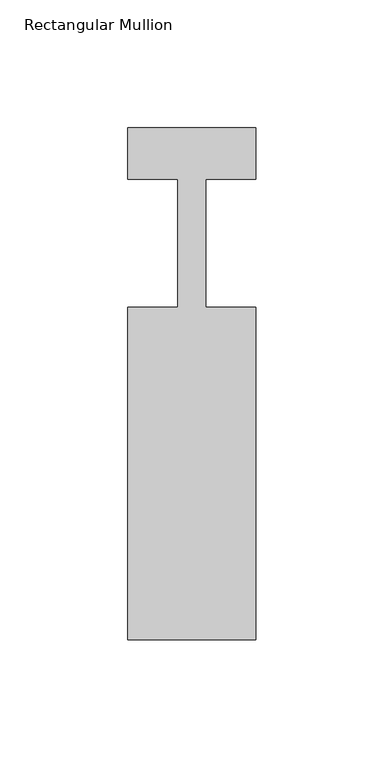
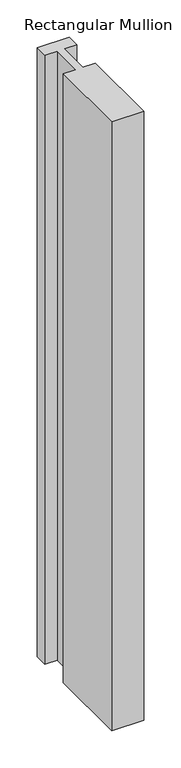
"""IFC4 building model written with IfcOpenShell, lengths in millimetres: member geometry, Rectangular Mullion."""

from ifc_helpers import new_model, si_unit, frame, origin, place, context, project, spatial, polyline, outline, extrude, source, transform, mapped, element, save


def rectangular_mullion_300cb711(model_context):
    return source(origin(), model_context, "Body", "SweptSolid", [
        extrude(outline(polyline([(25.0, -153.0), (-25.0, -153.0), (-25.0, -23.0), (-5.4999999, -23.0), (-5.4999999, 27.0), (-25.0, 27.0), (-25.0, 47.0), (25.0, 47.0), (25.0, 27.0), (5.5, 27.0), (5.5, -23.0), (25.0, -23.0), (25.0, -153.0)])), frame((0.0, 0.0, -1000.0), z_axis=(0.0, 0.0, 1.0), x_axis=(1.0, 0.0, 0.0)), (0.0, 0.0, 1.0), 1000.0),
    ])


if __name__ == "__main__":
    model = new_model("IFC4")
    model_context = context("Model", 3, world=origin())
    ifc_project = project(units=[si_unit("LENGTHUNIT", "METRE", prefix="MILLI")], contexts=[model_context])
    site = spatial("IfcSite", under=ifc_project)
    building = spatial("IfcBuilding", under=site)
    placement = place(None, origin())
    rectangular_mullion_shape = rectangular_mullion_300cb711(model_context)
    element("IfcMember", 1, ObjectType="Rectangular Mullion", at=placement, inside=building, context=model_context, shape_type="MappedRepresentation", body=[
        mapped(rectangular_mullion_shape, transform((0.0, 0.0, 0.0), x_axis=(1.0, 0.0, 0.0), y_axis=(0.0, 1.0, 0.0), z_axis=(0.0, 0.0, 1.0))),
    ])
    save(model, "model.ifc")
